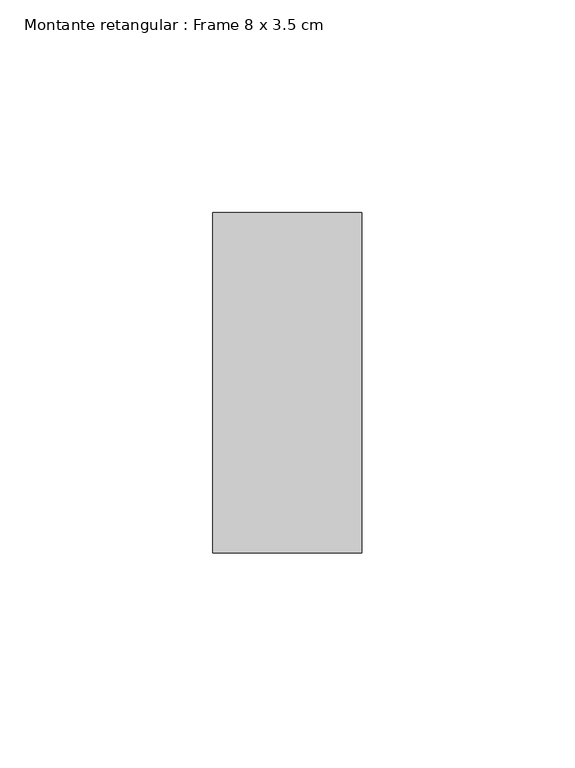
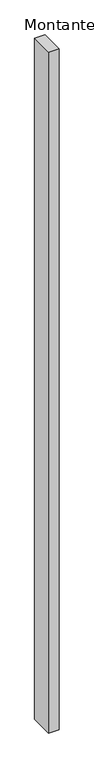
"""IFC4 building model written with IfcOpenShell, lengths in millimetres: member geometry, Montante retangular : Frame 8 x 3.5 cm."""

from ifc_helpers import new_model, si_unit, frame, origin, place, context, project, spatial, polyline, outline, extrude, source, transform, mapped, element, save


def montante_retangular_frame_8_x_3_5_cm_91e7332d(model_context):
    return source(origin(), model_context, "Body", "SweptSolid", [
        extrude(outline(polyline([(17.5, 40.0), (17.5, -40.0), (-17.5, -40.0), (-17.5, 40.0), (17.5, 40.0)])), frame((0.0, 0.0, -2400.0), z_axis=(0.0, 0.0, 1.0), x_axis=(1.0, 0.0, 0.0)), (0.0, 0.0, 1.0), 2400.0),
    ])


if __name__ == "__main__":
    model = new_model("IFC4")
    model_context = context("Model", 3, world=origin())
    ifc_project = project(units=[si_unit("LENGTHUNIT", "METRE", prefix="MILLI")], contexts=[model_context])
    site = spatial("IfcSite", under=ifc_project)
    building = spatial("IfcBuilding", under=site)
    placement = place(None, origin())
    montante_retangular_frame_8_x_3_5_cm_shape = montante_retangular_frame_8_x_3_5_cm_91e7332d(model_context)
    element("IfcMember", 1, ObjectType="Montante retangular : Frame 8 x 3.5 cm", at=placement, inside=building, context=model_context, shape_type="MappedRepresentation", body=[
        mapped(montante_retangular_frame_8_x_3_5_cm_shape, transform((0.0, 0.0, 0.0), x_axis=(1.0, 0.0, 0.0), y_axis=(0.0, 1.0, 0.0), z_axis=(0.0, 0.0, 1.0))),
    ])
    save(model, "model.ifc")
